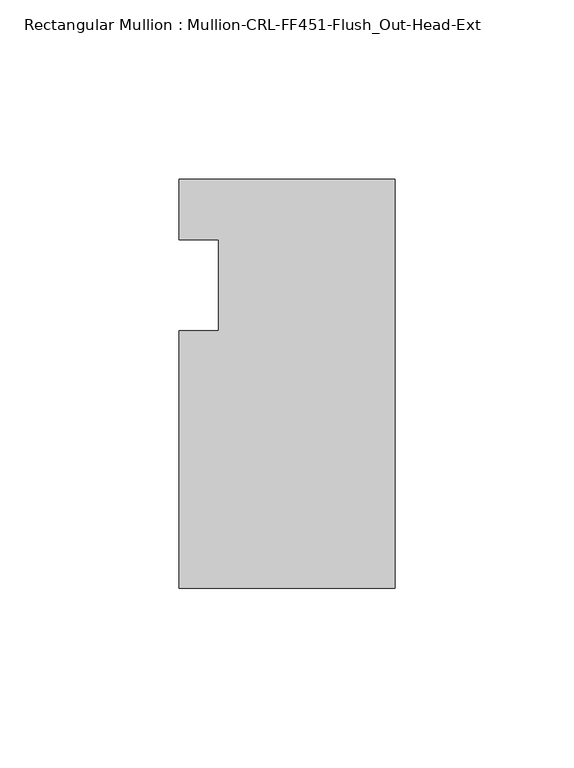
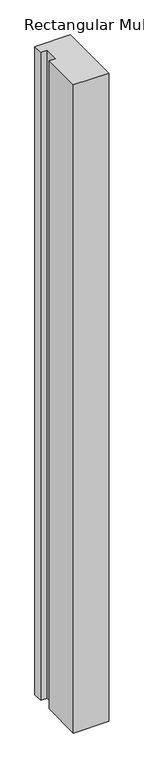
"""IFC4 building model written with IfcOpenShell, lengths in millimetres: member geometry, Rectangular Mullion : Mullion-CRL-FF451-Flush_Out-Head-Ext."""

from ifc_helpers import new_model, si_unit, frame, origin, place, context, project, spatial, polyline, outline, extrude, source, transform, mapped, element, save


def rectangular_mullion_mullion_crl_ff451_flush_out_head_ext_1d844193(model_context):
    return source(origin(), model_context, "Body", "SweptSolid", [
        extrude(outline(polyline([(0.0, -84.6650108), (-60.325, -84.6650108), (-60.325, -12.7), (-49.2125, -12.7), (-49.2125, 12.7), (-60.325, 12.7), (-60.325, 29.6349892), (0.0, 29.6349892), (0.0, -84.6650108)])), frame((0.0, 0.0, -1173.6462987), z_axis=(0.0, 0.0, 1.0), x_axis=(1.0, 0.0, 0.0)), (0.0, 0.0, 1.0), 1173.6462987),
    ])


if __name__ == "__main__":
    model = new_model("IFC4")
    model_context = context("Model", 3, world=origin())
    ifc_project = project(units=[si_unit("LENGTHUNIT", "METRE", prefix="MILLI")], contexts=[model_context])
    site = spatial("IfcSite", under=ifc_project)
    building = spatial("IfcBuilding", under=site)
    placement = place(None, origin())
    rectangular_mullion_mullion_crl_ff451_flush_out_head_ext_shape = rectangular_mullion_mullion_crl_ff451_flush_out_head_ext_1d844193(model_context)
    element("IfcMember", 1, ObjectType="Rectangular Mullion : Mullion-CRL-FF451-Flush_Out-Head-Ext", at=placement, inside=building, context=model_context, shape_type="MappedRepresentation", body=[
        mapped(rectangular_mullion_mullion_crl_ff451_flush_out_head_ext_shape, transform((0.0, 0.0, 0.0), x_axis=(1.0, 0.0, 0.0), y_axis=(0.0, 1.0, 0.0), z_axis=(0.0, 0.0, 1.0))),
    ])
    save(model, "model.ifc")
